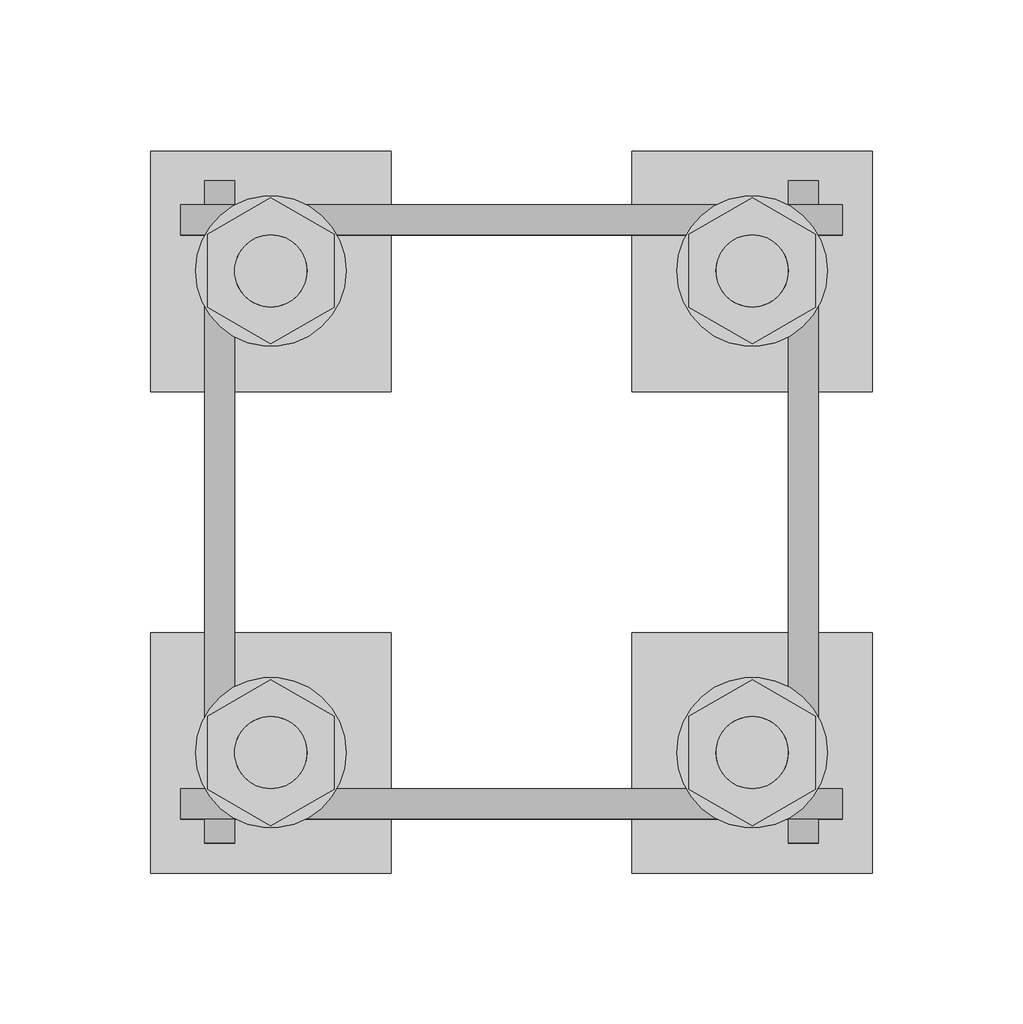
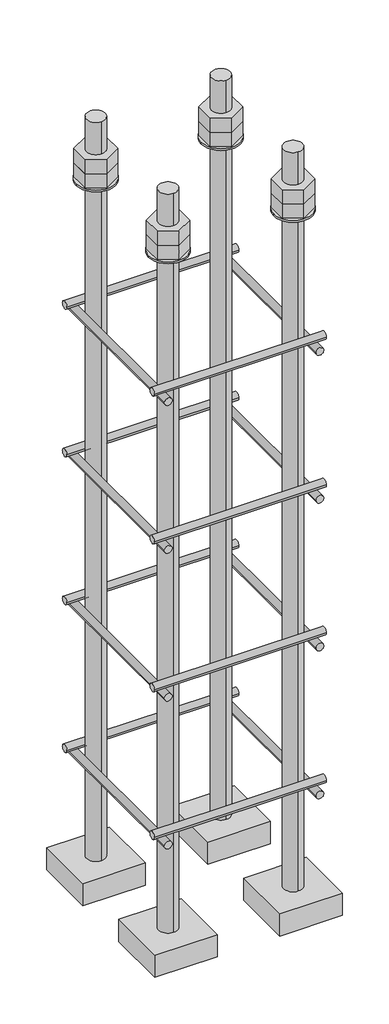
# One storey, part 15 of 66: 1 fastener.
"""IFC4 building model written with IfcOpenShell, lengths in millimetres."""

from ifc_helpers import new_model, si_unit, point, frame, frame_2d, origin, place, context, project, spatial, polyline, circle_curve, trimmed, segment, composite_curve, outline, extrude, element, save
from ifc_brep_helpers import plane_surface, cylinder_surface, advanced_brep

model = new_model("IFC4")

# Units and contexts
model_context = context("Model", 3, world=origin())
ifc_project = project(units=[si_unit("LENGTHUNIT", "METRE", prefix="MILLI")], contexts=[model_context])

# Site, building, storey
site = spatial("IfcSite", under=ifc_project)
building = spatial("IfcBuilding", under=site)
storey = spatial("IfcBuildingStorey", under=building, Elevation=9070.0)

# Fastener
placement = place(None, origin())
element("IfcFastener", 1, ObjectType="AU1 : AU-01", at=placement, inside=storey, context=model_context, shape_type="SolidModel", body=[
    extrude(outline(composite_curve([segment(trimmed(circle_curve(frame_2d((26703.0, 8395.0)), 5.0), [point((26698.0, 8395.0))], [point((26708.0, 8395.0))], False, "CARTESIAN"), True, "CONTINUOUS"), segment(trimmed(circle_curve(frame_2d((26703.0, 8395.0)), 5.0), [point((26708.0, 8395.0))], [point((26698.0, 8395.0))], False, "CARTESIAN"), True, "CONTINUOUS")], self_intersect=False)), frame((27890.0, 0.0, 0.0), z_axis=(1.0, 0.0, 0.0), x_axis=(0.0, 1.0, 0.0)), (0.0, 0.0, 1.0), 220.0),
    extrude(outline(composite_curve([segment(trimmed(circle_curve(frame_2d((26897.0, 8395.0)), 5.0), [point((26902.0, 8395.0))], [point((26892.0, 8395.0))], False, "CARTESIAN"), True, "CONTINUOUS"), segment(trimmed(circle_curve(frame_2d((26897.0, 8395.0)), 5.0), [point((26892.0, 8395.0))], [point((26902.0, 8395.0))], False, "CARTESIAN"), True, "CONTINUOUS")], self_intersect=False)), frame((27890.0, 0.0, 0.0), z_axis=(1.0, 0.0, 0.0), x_axis=(0.0, 1.0, 0.0)), (0.0, 0.0, 1.0), 220.0),
    extrude(outline(composite_curve([segment(trimmed(circle_curve(frame_2d((8385.0, 27903.0)), 5.0), [point((8385.0, 27898.0))], [point((8385.0, 27908.0))], False, "CARTESIAN"), True, "CONTINUOUS"), segment(trimmed(circle_curve(frame_2d((8385.0, 27903.0)), 5.0), [point((8385.0, 27908.0))], [point((8385.0, 27898.0))], False, "CARTESIAN"), True, "CONTINUOUS")], self_intersect=False)), frame((0.0, 26690.0, 0.0), z_axis=(0.0, 1.0, 0.0), x_axis=(0.0, 0.0, 1.0)), (0.0, 0.0, 1.0), 220.0),
    extrude(outline(composite_curve([segment(trimmed(circle_curve(frame_2d((8385.0, 28097.0)), 5.0), [point((8385.0, 28102.0))], [point((8385.0, 28092.0))], False, "CARTESIAN"), True, "CONTINUOUS"), segment(trimmed(circle_curve(frame_2d((8385.0, 28097.0)), 5.0), [point((8385.0, 28092.0))], [point((8385.0, 28102.0))], False, "CARTESIAN"), True, "CONTINUOUS")], self_intersect=False)), frame((0.0, 26690.0, 0.0), z_axis=(0.0, 1.0, 0.0), x_axis=(0.0, 0.0, 1.0)), (0.0, 0.0, 1.0), 220.0),
    extrude(outline(composite_curve([segment(trimmed(circle_curve(frame_2d((26703.0, 8595.0)), 5.0), [point((26698.0, 8595.0))], [point((26708.0, 8595.0))], False, "CARTESIAN"), True, "CONTINUOUS"), segment(trimmed(circle_curve(frame_2d((26703.0, 8595.0)), 5.0), [point((26708.0, 8595.0))], [point((26698.0, 8595.0))], False, "CARTESIAN"), True, "CONTINUOUS")], self_intersect=False)), frame((27890.0, 0.0, 0.0), z_axis=(1.0, 0.0, 0.0), x_axis=(0.0, 1.0, 0.0)), (0.0, 0.0, 1.0), 220.0),
    extrude(outline(composite_curve([segment(trimmed(circle_curve(frame_2d((26897.0, 8595.0)), 5.0), [point((26902.0, 8595.0))], [point((26892.0, 8595.0))], False, "CARTESIAN"), True, "CONTINUOUS"), segment(trimmed(circle_curve(frame_2d((26897.0, 8595.0)), 5.0), [point((26892.0, 8595.0))], [point((26902.0, 8595.0))], False, "CARTESIAN"), True, "CONTINUOUS")], self_intersect=False)), frame((27890.0, 0.0, 0.0), z_axis=(1.0, 0.0, 0.0), x_axis=(0.0, 1.0, 0.0)), (0.0, 0.0, 1.0), 220.0),
    extrude(outline(composite_curve([segment(trimmed(circle_curve(frame_2d((8585.0, 27903.0)), 5.0), [point((8585.0, 27898.0))], [point((8585.0, 27908.0))], False, "CARTESIAN"), True, "CONTINUOUS"), segment(trimmed(circle_curve(frame_2d((8585.0, 27903.0)), 5.0), [point((8585.0, 27908.0))], [point((8585.0, 27898.0))], False, "CARTESIAN"), True, "CONTINUOUS")], self_intersect=False)), frame((0.0, 26690.0, 0.0), z_axis=(0.0, 1.0, 0.0), x_axis=(0.0, 0.0, 1.0)), (0.0, 0.0, 1.0), 220.0),
    extrude(outline(composite_curve([segment(trimmed(circle_curve(frame_2d((8585.0, 28097.0)), 5.0), [point((8585.0, 28102.0))], [point((8585.0, 28092.0))], False, "CARTESIAN"), True, "CONTINUOUS"), segment(trimmed(circle_curve(frame_2d((8585.0, 28097.0)), 5.0), [point((8585.0, 28092.0))], [point((8585.0, 28102.0))], False, "CARTESIAN"), True, "CONTINUOUS")], self_intersect=False)), frame((0.0, 26690.0, 0.0), z_axis=(0.0, 1.0, 0.0), x_axis=(0.0, 0.0, 1.0)), (0.0, 0.0, 1.0), 220.0),
    extrude(outline(composite_curve([segment(trimmed(circle_curve(frame_2d((26703.0, 8795.0)), 5.0), [point((26698.0, 8795.0))], [point((26708.0, 8795.0))], False, "CARTESIAN"), True, "CONTINUOUS"), segment(trimmed(circle_curve(frame_2d((26703.0, 8795.0)), 5.0), [point((26708.0, 8795.0))], [point((26698.0, 8795.0))], False, "CARTESIAN"), True, "CONTINUOUS")], self_intersect=False)), frame((27890.0, 0.0, 0.0), z_axis=(1.0, 0.0, 0.0), x_axis=(0.0, 1.0, 0.0)), (0.0, 0.0, 1.0), 220.0),
    extrude(outline(composite_curve([segment(trimmed(circle_curve(frame_2d((26897.0, 8795.0)), 5.0), [point((26902.0, 8795.0))], [point((26892.0, 8795.0))], False, "CARTESIAN"), True, "CONTINUOUS"), segment(trimmed(circle_curve(frame_2d((26897.0, 8795.0)), 5.0), [point((26892.0, 8795.0))], [point((26902.0, 8795.0))], False, "CARTESIAN"), True, "CONTINUOUS")], self_intersect=False)), frame((27890.0, 0.0, 0.0), z_axis=(1.0, 0.0, 0.0), x_axis=(0.0, 1.0, 0.0)), (0.0, 0.0, 1.0), 220.0),
    extrude(outline(composite_curve([segment(trimmed(circle_curve(frame_2d((8785.0, 27903.0)), 5.0), [point((8785.0, 27898.0))], [point((8785.0, 27908.0))], False, "CARTESIAN"), True, "CONTINUOUS"), segment(trimmed(circle_curve(frame_2d((8785.0, 27903.0)), 5.0), [point((8785.0, 27908.0))], [point((8785.0, 27898.0))], False, "CARTESIAN"), True, "CONTINUOUS")], self_intersect=False)), frame((0.0, 26690.0, 0.0), z_axis=(0.0, 1.0, 0.0), x_axis=(0.0, 0.0, 1.0)), (0.0, 0.0, 1.0), 220.0),
    extrude(outline(composite_curve([segment(trimmed(circle_curve(frame_2d((8785.0, 28097.0)), 5.0), [point((8785.0, 28102.0))], [point((8785.0, 28092.0))], False, "CARTESIAN"), True, "CONTINUOUS"), segment(trimmed(circle_curve(frame_2d((8785.0, 28097.0)), 5.0), [point((8785.0, 28092.0))], [point((8785.0, 28102.0))], False, "CARTESIAN"), True, "CONTINUOUS")], self_intersect=False)), frame((0.0, 26690.0, 0.0), z_axis=(0.0, 1.0, 0.0), x_axis=(0.0, 0.0, 1.0)), (0.0, 0.0, 1.0), 220.0),
    extrude(outline(composite_curve([segment(trimmed(circle_curve(frame_2d((26703.0, 8995.0)), 5.0), [point((26698.0, 8995.0))], [point((26708.0, 8995.0))], False, "CARTESIAN"), True, "CONTINUOUS"), segment(trimmed(circle_curve(frame_2d((26703.0, 8995.0)), 5.0), [point((26708.0, 8995.0))], [point((26698.0, 8995.0))], False, "CARTESIAN"), True, "CONTINUOUS")], self_intersect=False)), frame((27890.0, 0.0, 0.0), z_axis=(1.0, 0.0, 0.0), x_axis=(0.0, 1.0, 0.0)), (0.0, 0.0, 1.0), 220.0),
    extrude(outline(composite_curve([segment(trimmed(circle_curve(frame_2d((26897.0, 8995.0)), 5.0), [point((26902.0, 8995.0))], [point((26892.0, 8995.0))], False, "CARTESIAN"), True, "CONTINUOUS"), segment(trimmed(circle_curve(frame_2d((26897.0, 8995.0)), 5.0), [point((26892.0, 8995.0))], [point((26902.0, 8995.0))], False, "CARTESIAN"), True, "CONTINUOUS")], self_intersect=False)), frame((27890.0, 0.0, 0.0), z_axis=(1.0, 0.0, 0.0), x_axis=(0.0, 1.0, 0.0)), (0.0, 0.0, 1.0), 220.0),
    extrude(outline(composite_curve([segment(trimmed(circle_curve(frame_2d((8985.0, 27903.0)), 5.0), [point((8985.0, 27898.0))], [point((8985.0, 27908.0))], False, "CARTESIAN"), True, "CONTINUOUS"), segment(trimmed(circle_curve(frame_2d((8985.0, 27903.0)), 5.0), [point((8985.0, 27908.0))], [point((8985.0, 27898.0))], False, "CARTESIAN"), True, "CONTINUOUS")], self_intersect=False)), frame((0.0, 26690.0, 0.0), z_axis=(0.0, 1.0, 0.0), x_axis=(0.0, 0.0, 1.0)), (0.0, 0.0, 1.0), 220.0),
    extrude(outline(composite_curve([segment(trimmed(circle_curve(frame_2d((8985.0, 28097.0)), 5.0), [point((8985.0, 28102.0))], [point((8985.0, 28092.0))], False, "CARTESIAN"), True, "CONTINUOUS"), segment(trimmed(circle_curve(frame_2d((8985.0, 28097.0)), 5.0), [point((8985.0, 28092.0))], [point((8985.0, 28102.0))], False, "CARTESIAN"), True, "CONTINUOUS")], self_intersect=False)), frame((0.0, 26690.0, 0.0), z_axis=(0.0, 1.0, 0.0), x_axis=(0.0, 0.0, 1.0)), (0.0, 0.0, 1.0), 220.0),
    advanced_brep(
    [(27960.0, 26920.0, 8250.0), (27880.0, 26920.0, 8250.0), (27880.0, 26840.0, 8250.0), (27960.0, 26840.0, 8250.0), (27920.0, 26868.0, 8250.0), (27920.0, 26892.0, 8250.0), (27960.0, 26920.0, 8220.0), (27960.0, 26840.0, 8220.0), (27880.0, 26840.0, 8220.0), (27880.0, 26920.0, 8220.0), (27920.0, 26892.0, 9250.0), (27920.0, 26868.0, 9250.0)],
    [
        (0, 1),
        (1, 2),
        (2, 3),
        (3, 0),
        (4, 5, circle_curve(frame((27920.0, 26880.0, 8250.0), z_axis=(0.0, 0.0, -1.0), x_axis=(0.0, -1.0, 0.0)), 12.0)),
        (5, 4, circle_curve(frame((27920.0, 26880.0, 8250.0), z_axis=(0.0, 0.0, -1.0), x_axis=(0.0, -1.0, 0.0)), 12.0)),
        (6, 7),
        (7, 8),
        (8, 9),
        (9, 6),
        (0, 6),
        (9, 1),
        (8, 2),
        (7, 3),
        (10, 11, circle_curve(frame((27920.0, 26880.0, 9250.0), z_axis=(0.0, 0.0, 1.0), x_axis=(0.0, -1.0, 0.0)), 12.0)),
        (11, 10, circle_curve(frame((27920.0, 26880.0, 9250.0), z_axis=(0.0, 0.0, 1.0), x_axis=(0.0, -1.0, 0.0)), 12.0)),
        (10, 5),
        (4, 11),
    ],
    [
        plane_surface(frame((27880.0, 26920.0, 8250.0), z_axis=(0.0, 0.0, 1.0), x_axis=(-1.0, 0.0, 0.0))),
        plane_surface(frame((27880.0, 26920.0, 8220.0), z_axis=(0.0, 0.0, -1.0), x_axis=(1.0, 0.0, 0.0))),
        plane_surface(frame((27960.0, 26920.0, 8250.0), z_axis=(0.0, 1.0, 0.0), x_axis=(0.0, 0.0, -1.0))),
        plane_surface(frame((27880.0, 26920.0, 8250.0), z_axis=(-1.0, 0.0, 0.0), x_axis=(0.0, 0.0, -1.0))),
        plane_surface(frame((27880.0, 26840.0, 8250.0), z_axis=(0.0, -1.0, 0.0), x_axis=(0.0, 0.0, -1.0))),
        plane_surface(frame((27960.0, 26840.0, 8250.0), z_axis=(1.0, 0.0, 0.0), x_axis=(0.0, 0.0, -1.0))),
        plane_surface(frame((27920.0, 26880.0, 9250.0), z_axis=(0.0, 0.0, 1.0), x_axis=(0.0, -1.0, 0.0))),
        cylinder_surface(frame((27920.0, 26880.0, 9250.0), z_axis=(0.0, 0.0, 1.0), x_axis=(0.0, -1.0, 0.0)), 12.0),
    ],
    [
        (0, [[1, 2, 3, 4], [5, 6]]),
        (1, [[7, 8, 9, 10]]),
        (2, [[-1, 11, -10, 12]]),
        (3, [[-2, -12, -9, 13]]),
        (4, [[-3, -13, -8, 14]]),
        (5, [[-4, -14, -7, -11]]),
        (6, [[15, 16]]),
        (7, [[-15, 17, -5, 18]]),
        (7, [[-16, -18, -6, -17]]),
    ],
),
    extrude(outline(composite_curve([segment(trimmed(circle_curve(frame_2d((27920.0, 26880.0)), 25.0), [point((27945.0, 26880.0))], [point((27895.0, 26880.0))], False, "CARTESIAN"), True, "CONTINUOUS"), segment(trimmed(circle_curve(frame_2d((27920.0, 26880.0)), 25.0), [point((27895.0, 26880.0))], [point((27945.0, 26880.0))], False, "CARTESIAN"), True, "CONTINUOUS")], self_intersect=False), holes=[composite_curve([segment(trimmed(circle_curve(frame_2d((27920.0, 26880.0)), 12.0), [point((27932.0, 26880.0))], [point((27908.0, 26880.0))], True, "CARTESIAN"), True, "CONTINUOUS"), segment(trimmed(circle_curve(frame_2d((27920.0, 26880.0)), 12.0), [point((27908.0, 26880.0))], [point((27932.0, 26880.0))], True, "CARTESIAN"), True, "CONTINUOUS")], self_intersect=False)]), frame((0.0, 0.0, 9165.0), z_axis=(0.0, 0.0, 1.0), x_axis=(1.0, 0.0, 0.0)), (0.0, 0.0, 1.0), 2.5),
    extrude(outline(polyline([(27920.0, 26904.2487113), (27941.0, 26892.1243557), (27941.0, 26867.8756443), (27920.0, 26855.7512887), (27899.0, 26867.8756443), (27899.0, 26892.1243557), (27920.0, 26904.2487113)]), holes=[composite_curve([segment(trimmed(circle_curve(frame_2d((27920.0, 26880.0)), 12.0), [point((27932.0, 26880.0))], [point((27908.0, 26880.0))], True, "CARTESIAN"), True, "CONTINUOUS"), segment(trimmed(circle_curve(frame_2d((27920.0, 26880.0)), 12.0), [point((27908.0, 26880.0))], [point((27932.0, 26880.0))], True, "CARTESIAN"), True, "CONTINUOUS")], self_intersect=False)]), frame((0.0, 0.0, 9187.0), z_axis=(0.0, 0.0, 1.0), x_axis=(1.0, 0.0, 0.0)), (0.0, 0.0, 1.0), 19.5),
    extrude(outline(polyline([(27920.0, 26904.2487113), (27941.0, 26892.1243557), (27941.0, 26867.8756443), (27920.0, 26855.7512887), (27899.0, 26867.8756443), (27899.0, 26892.1243557), (27920.0, 26904.2487113)]), holes=[composite_curve([segment(trimmed(circle_curve(frame_2d((27920.0, 26880.0)), 12.0), [point((27932.0, 26880.0))], [point((27908.0, 26880.0))], True, "CARTESIAN"), True, "CONTINUOUS"), segment(trimmed(circle_curve(frame_2d((27920.0, 26880.0)), 12.0), [point((27908.0, 26880.0))], [point((27932.0, 26880.0))], True, "CARTESIAN"), True, "CONTINUOUS")], self_intersect=False)]), frame((0.0, 0.0, 9167.5), z_axis=(0.0, 0.0, 1.0), x_axis=(1.0, 0.0, 0.0)), (0.0, 0.0, 1.0), 19.5),
    advanced_brep(
    [(28040.0, 26840.0, 8250.0), (28120.0, 26840.0, 8250.0), (28120.0, 26920.0, 8250.0), (28040.0, 26920.0, 8250.0), (28080.0, 26892.0, 8250.0), (28080.0, 26868.0, 8250.0), (28040.0, 26840.0, 8220.0), (28040.0, 26920.0, 8220.0), (28120.0, 26920.0, 8220.0), (28120.0, 26840.0, 8220.0), (28080.0, 26868.0, 9250.0), (28080.0, 26892.0, 9250.0)],
    [
        (0, 1),
        (1, 2),
        (2, 3),
        (3, 0),
        (4, 5, circle_curve(frame((28080.0, 26880.0, 8250.0), z_axis=(0.0, 0.0, -1.0), x_axis=(0.0, 1.0, 0.0)), 12.0)),
        (5, 4, circle_curve(frame((28080.0, 26880.0, 8250.0), z_axis=(0.0, 0.0, -1.0), x_axis=(0.0, 1.0, 0.0)), 12.0)),
        (6, 7),
        (7, 8),
        (8, 9),
        (9, 6),
        (0, 6),
        (9, 1),
        (8, 2),
        (7, 3),
        (10, 11, circle_curve(frame((28080.0, 26880.0, 9250.0), z_axis=(0.0, 0.0, 1.0), x_axis=(0.0, 1.0, 0.0)), 12.0)),
        (11, 10, circle_curve(frame((28080.0, 26880.0, 9250.0), z_axis=(0.0, 0.0, 1.0), x_axis=(0.0, 1.0, 0.0)), 12.0)),
        (10, 5),
        (4, 11),
    ],
    [
        plane_surface(frame((28120.0, 26840.0, 8250.0), z_axis=(0.0, 0.0, 1.0), x_axis=(1.0, 0.0, 0.0))),
        plane_surface(frame((28120.0, 26840.0, 8220.0), z_axis=(0.0, 0.0, -1.0), x_axis=(-1.0, 0.0, 0.0))),
        plane_surface(frame((28040.0, 26840.0, 8250.0), z_axis=(0.0, -1.0, 0.0), x_axis=(0.0, 0.0, -1.0))),
        plane_surface(frame((28120.0, 26840.0, 8250.0), z_axis=(1.0, 0.0, 0.0), x_axis=(0.0, 0.0, -1.0))),
        plane_surface(frame((28120.0, 26920.0, 8250.0), z_axis=(0.0, 1.0, 0.0), x_axis=(0.0, 0.0, -1.0))),
        plane_surface(frame((28040.0, 26920.0, 8250.0), z_axis=(-1.0, 0.0, 0.0), x_axis=(0.0, 0.0, -1.0))),
        plane_surface(frame((28080.0, 26880.0, 9250.0), z_axis=(0.0, 0.0, 1.0), x_axis=(0.0, 1.0, 0.0))),
        cylinder_surface(frame((28080.0, 26880.0, 9250.0), z_axis=(0.0, 0.0, 1.0), x_axis=(0.0, 1.0, 0.0)), 12.0),
    ],
    [
        (0, [[1, 2, 3, 4], [5, 6]]),
        (1, [[7, 8, 9, 10]]),
        (2, [[-1, 11, -10, 12]]),
        (3, [[-2, -12, -9, 13]]),
        (4, [[-3, -13, -8, 14]]),
        (5, [[-4, -14, -7, -11]]),
        (6, [[15, 16]]),
        (7, [[-15, 17, -5, 18]]),
        (7, [[-16, -18, -6, -17]]),
    ],
),
    extrude(outline(composite_curve([segment(trimmed(circle_curve(frame_2d((28080.0, 26880.0)), 25.0), [point((28055.0, 26880.0))], [point((28105.0, 26880.0))], False, "CARTESIAN"), True, "CONTINUOUS"), segment(trimmed(circle_curve(frame_2d((28080.0, 26880.0)), 25.0), [point((28105.0, 26880.0))], [point((28055.0, 26880.0))], False, "CARTESIAN"), True, "CONTINUOUS")], self_intersect=False), holes=[composite_curve([segment(trimmed(circle_curve(frame_2d((28080.0, 26880.0)), 12.0), [point((28068.0, 26880.0))], [point((28092.0, 26880.0))], True, "CARTESIAN"), True, "CONTINUOUS"), segment(trimmed(circle_curve(frame_2d((28080.0, 26880.0)), 12.0), [point((28092.0, 26880.0))], [point((28068.0, 26880.0))], True, "CARTESIAN"), True, "CONTINUOUS")], self_intersect=False)]), frame((0.0, 0.0, 9165.0), z_axis=(0.0, 0.0, 1.0), x_axis=(1.0, 0.0, 0.0)), (0.0, 0.0, 1.0), 2.5),
    extrude(outline(polyline([(28080.0, 26855.7512887), (28059.0, 26867.8756443), (28059.0, 26892.1243557), (28080.0, 26904.2487113), (28101.0, 26892.1243557), (28101.0, 26867.8756443), (28080.0, 26855.7512887)]), holes=[composite_curve([segment(trimmed(circle_curve(frame_2d((28080.0, 26880.0)), 12.0), [point((28068.0, 26880.0))], [point((28092.0, 26880.0))], True, "CARTESIAN"), True, "CONTINUOUS"), segment(trimmed(circle_curve(frame_2d((28080.0, 26880.0)), 12.0), [point((28092.0, 26880.0))], [point((28068.0, 26880.0))], True, "CARTESIAN"), True, "CONTINUOUS")], self_intersect=False)]), frame((0.0, 0.0, 9187.0), z_axis=(0.0, 0.0, 1.0), x_axis=(1.0, 0.0, 0.0)), (0.0, 0.0, 1.0), 19.5),
    extrude(outline(polyline([(28080.0, 26855.7512887), (28059.0, 26867.8756443), (28059.0, 26892.1243557), (28080.0, 26904.2487113), (28101.0, 26892.1243557), (28101.0, 26867.8756443), (28080.0, 26855.7512887)]), holes=[composite_curve([segment(trimmed(circle_curve(frame_2d((28080.0, 26880.0)), 12.0), [point((28068.0, 26880.0))], [point((28092.0, 26880.0))], True, "CARTESIAN"), True, "CONTINUOUS"), segment(trimmed(circle_curve(frame_2d((28080.0, 26880.0)), 12.0), [point((28092.0, 26880.0))], [point((28068.0, 26880.0))], True, "CARTESIAN"), True, "CONTINUOUS")], self_intersect=False)]), frame((0.0, 0.0, 9167.5), z_axis=(0.0, 0.0, 1.0), x_axis=(1.0, 0.0, 0.0)), (0.0, 0.0, 1.0), 19.5),
    advanced_brep(
    [(28040.0, 26680.0, 8250.0), (28120.0, 26680.0, 8250.0), (28120.0, 26760.0, 8250.0), (28040.0, 26760.0, 8250.0), (28080.0, 26732.0, 8250.0), (28080.0, 26708.0, 8250.0), (28040.0, 26680.0, 8220.0), (28040.0, 26760.0, 8220.0), (28120.0, 26760.0, 8220.0), (28120.0, 26680.0, 8220.0), (28080.0, 26708.0, 9250.0), (28080.0, 26732.0, 9250.0)],
    [
        (0, 1),
        (1, 2),
        (2, 3),
        (3, 0),
        (4, 5, circle_curve(frame((28080.0, 26720.0, 8250.0), z_axis=(0.0, 0.0, -1.0), x_axis=(0.0, 1.0, 0.0)), 12.0)),
        (5, 4, circle_curve(frame((28080.0, 26720.0, 8250.0), z_axis=(0.0, 0.0, -1.0), x_axis=(0.0, 1.0, 0.0)), 12.0)),
        (6, 7),
        (7, 8),
        (8, 9),
        (9, 6),
        (0, 6),
        (9, 1),
        (8, 2),
        (7, 3),
        (10, 11, circle_curve(frame((28080.0, 26720.0, 9250.0), z_axis=(0.0, 0.0, 1.0), x_axis=(0.0, 1.0, 0.0)), 12.0)),
        (11, 10, circle_curve(frame((28080.0, 26720.0, 9250.0), z_axis=(0.0, 0.0, 1.0), x_axis=(0.0, 1.0, 0.0)), 12.0)),
        (10, 5),
        (4, 11),
    ],
    [
        plane_surface(frame((28120.0, 26680.0, 8250.0), z_axis=(0.0, 0.0, 1.0), x_axis=(1.0, 0.0, 0.0))),
        plane_surface(frame((28120.0, 26680.0, 8220.0), z_axis=(0.0, 0.0, -1.0), x_axis=(-1.0, 0.0, 0.0))),
        plane_surface(frame((28040.0, 26680.0, 8250.0), z_axis=(0.0, -1.0, 0.0), x_axis=(0.0, 0.0, -1.0))),
        plane_surface(frame((28120.0, 26680.0, 8250.0), z_axis=(1.0, 0.0, 0.0), x_axis=(0.0, 0.0, -1.0))),
        plane_surface(frame((28120.0, 26760.0, 8250.0), z_axis=(0.0, 1.0, 0.0), x_axis=(0.0, 0.0, -1.0))),
        plane_surface(frame((28040.0, 26760.0, 8250.0), z_axis=(-1.0, 0.0, 0.0), x_axis=(0.0, 0.0, -1.0))),
        plane_surface(frame((28080.0, 26720.0, 9250.0), z_axis=(0.0, 0.0, 1.0), x_axis=(0.0, 1.0, 0.0))),
        cylinder_surface(frame((28080.0, 26720.0, 9250.0), z_axis=(0.0, 0.0, 1.0), x_axis=(0.0, 1.0, 0.0)), 12.0),
    ],
    [
        (0, [[1, 2, 3, 4], [5, 6]]),
        (1, [[7, 8, 9, 10]]),
        (2, [[-1, 11, -10, 12]]),
        (3, [[-2, -12, -9, 13]]),
        (4, [[-3, -13, -8, 14]]),
        (5, [[-4, -14, -7, -11]]),
        (6, [[15, 16]]),
        (7, [[-15, 17, -5, 18]]),
        (7, [[-16, -18, -6, -17]]),
    ],
),
    extrude(outline(composite_curve([segment(trimmed(circle_curve(frame_2d((28080.0, 26720.0)), 25.0), [point((28055.0, 26720.0))], [point((28105.0, 26720.0))], False, "CARTESIAN"), True, "CONTINUOUS"), segment(trimmed(circle_curve(frame_2d((28080.0, 26720.0)), 25.0), [point((28105.0, 26720.0))], [point((28055.0, 26720.0))], False, "CARTESIAN"), True, "CONTINUOUS")], self_intersect=False), holes=[composite_curve([segment(trimmed(circle_curve(frame_2d((28080.0, 26720.0)), 12.0), [point((28068.0, 26720.0))], [point((28092.0, 26720.0))], True, "CARTESIAN"), True, "CONTINUOUS"), segment(trimmed(circle_curve(frame_2d((28080.0, 26720.0)), 12.0), [point((28092.0, 26720.0))], [point((28068.0, 26720.0))], True, "CARTESIAN"), True, "CONTINUOUS")], self_intersect=False)]), frame((0.0, 0.0, 9165.0), z_axis=(0.0, 0.0, 1.0), x_axis=(1.0, 0.0, 0.0)), (0.0, 0.0, 1.0), 2.5),
    extrude(outline(polyline([(28080.0, 26695.7512887), (28059.0, 26707.8756443), (28059.0, 26732.1243557), (28080.0, 26744.2487113), (28101.0, 26732.1243557), (28101.0, 26707.8756443), (28080.0, 26695.7512887)]), holes=[composite_curve([segment(trimmed(circle_curve(frame_2d((28080.0, 26720.0)), 12.0), [point((28068.0, 26720.0))], [point((28092.0, 26720.0))], True, "CARTESIAN"), True, "CONTINUOUS"), segment(trimmed(circle_curve(frame_2d((28080.0, 26720.0)), 12.0), [point((28092.0, 26720.0))], [point((28068.0, 26720.0))], True, "CARTESIAN"), True, "CONTINUOUS")], self_intersect=False)]), frame((0.0, 0.0, 9187.0), z_axis=(0.0, 0.0, 1.0), x_axis=(1.0, 0.0, 0.0)), (0.0, 0.0, 1.0), 19.5),
    extrude(outline(polyline([(28080.0, 26695.7512887), (28059.0, 26707.8756443), (28059.0, 26732.1243557), (28080.0, 26744.2487113), (28101.0, 26732.1243557), (28101.0, 26707.8756443), (28080.0, 26695.7512887)]), holes=[composite_curve([segment(trimmed(circle_curve(frame_2d((28080.0, 26720.0)), 12.0), [point((28068.0, 26720.0))], [point((28092.0, 26720.0))], True, "CARTESIAN"), True, "CONTINUOUS"), segment(trimmed(circle_curve(frame_2d((28080.0, 26720.0)), 12.0), [point((28092.0, 26720.0))], [point((28068.0, 26720.0))], True, "CARTESIAN"), True, "CONTINUOUS")], self_intersect=False)]), frame((0.0, 0.0, 9167.5), z_axis=(0.0, 0.0, 1.0), x_axis=(1.0, 0.0, 0.0)), (0.0, 0.0, 1.0), 19.5),
    advanced_brep(
    [(27960.0, 26760.0, 8250.0), (27880.0, 26760.0, 8250.0), (27880.0, 26680.0, 8250.0), (27960.0, 26680.0, 8250.0), (27920.0, 26708.0, 8250.0), (27920.0, 26732.0, 8250.0), (27960.0, 26760.0, 8220.0), (27960.0, 26680.0, 8220.0), (27880.0, 26680.0, 8220.0), (27880.0, 26760.0, 8220.0), (27920.0, 26732.0, 9250.0), (27920.0, 26708.0, 9250.0)],
    [
        (0, 1),
        (1, 2),
        (2, 3),
        (3, 0),
        (4, 5, circle_curve(frame((27920.0, 26720.0, 8250.0), z_axis=(0.0, 0.0, -1.0), x_axis=(0.0, -1.0, 0.0)), 12.0)),
        (5, 4, circle_curve(frame((27920.0, 26720.0, 8250.0), z_axis=(0.0, 0.0, -1.0), x_axis=(0.0, -1.0, 0.0)), 12.0)),
        (6, 7),
        (7, 8),
        (8, 9),
        (9, 6),
        (0, 6),
        (9, 1),
        (8, 2),
        (7, 3),
        (10, 11, circle_curve(frame((27920.0, 26720.0, 9250.0), z_axis=(0.0, 0.0, 1.0), x_axis=(0.0, -1.0, 0.0)), 12.0)),
        (11, 10, circle_curve(frame((27920.0, 26720.0, 9250.0), z_axis=(0.0, 0.0, 1.0), x_axis=(0.0, -1.0, 0.0)), 12.0)),
        (10, 5),
        (4, 11),
    ],
    [
        plane_surface(frame((27880.0, 26760.0, 8250.0), z_axis=(0.0, 0.0, 1.0), x_axis=(-1.0, 0.0, 0.0))),
        plane_surface(frame((27880.0, 26760.0, 8220.0), z_axis=(0.0, 0.0, -1.0), x_axis=(1.0, 0.0, 0.0))),
        plane_surface(frame((27960.0, 26760.0, 8250.0), z_axis=(0.0, 1.0, 0.0), x_axis=(0.0, 0.0, -1.0))),
        plane_surface(frame((27880.0, 26760.0, 8250.0), z_axis=(-1.0, 0.0, 0.0), x_axis=(0.0, 0.0, -1.0))),
        plane_surface(frame((27880.0, 26680.0, 8250.0), z_axis=(0.0, -1.0, 0.0), x_axis=(0.0, 0.0, -1.0))),
        plane_surface(frame((27960.0, 26680.0, 8250.0), z_axis=(1.0, 0.0, 0.0), x_axis=(0.0, 0.0, -1.0))),
        plane_surface(frame((27920.0, 26720.0, 9250.0), z_axis=(0.0, 0.0, 1.0), x_axis=(0.0, -1.0, 0.0))),
        cylinder_surface(frame((27920.0, 26720.0, 9250.0), z_axis=(0.0, 0.0, 1.0), x_axis=(0.0, -1.0, 0.0)), 12.0),
    ],
    [
        (0, [[1, 2, 3, 4], [5, 6]]),
        (1, [[7, 8, 9, 10]]),
        (2, [[-1, 11, -10, 12]]),
        (3, [[-2, -12, -9, 13]]),
        (4, [[-3, -13, -8, 14]]),
        (5, [[-4, -14, -7, -11]]),
        (6, [[15, 16]]),
        (7, [[-15, 17, -5, 18]]),
        (7, [[-16, -18, -6, -17]]),
    ],
),
    extrude(outline(composite_curve([segment(trimmed(circle_curve(frame_2d((27920.0, 26720.0)), 25.0), [point((27945.0, 26720.0))], [point((27895.0, 26720.0))], False, "CARTESIAN"), True, "CONTINUOUS"), segment(trimmed(circle_curve(frame_2d((27920.0, 26720.0)), 25.0), [point((27895.0, 26720.0))], [point((27945.0, 26720.0))], False, "CARTESIAN"), True, "CONTINUOUS")], self_intersect=False), holes=[composite_curve([segment(trimmed(circle_curve(frame_2d((27920.0, 26720.0)), 12.0), [point((27932.0, 26720.0))], [point((27908.0, 26720.0))], True, "CARTESIAN"), True, "CONTINUOUS"), segment(trimmed(circle_curve(frame_2d((27920.0, 26720.0)), 12.0), [point((27908.0, 26720.0))], [point((27932.0, 26720.0))], True, "CARTESIAN"), True, "CONTINUOUS")], self_intersect=False)]), frame((0.0, 0.0, 9165.0), z_axis=(0.0, 0.0, 1.0), x_axis=(1.0, 0.0, 0.0)), (0.0, 0.0, 1.0), 2.5),
    extrude(outline(polyline([(27920.0, 26744.2487113), (27941.0, 26732.1243557), (27941.0, 26707.8756443), (27920.0, 26695.7512887), (27899.0, 26707.8756443), (27899.0, 26732.1243557), (27920.0, 26744.2487113)]), holes=[composite_curve([segment(trimmed(circle_curve(frame_2d((27920.0, 26720.0)), 12.0), [point((27932.0, 26720.0))], [point((27908.0, 26720.0))], True, "CARTESIAN"), True, "CONTINUOUS"), segment(trimmed(circle_curve(frame_2d((27920.0, 26720.0)), 12.0), [point((27908.0, 26720.0))], [point((27932.0, 26720.0))], True, "CARTESIAN"), True, "CONTINUOUS")], self_intersect=False)]), frame((0.0, 0.0, 9187.0), z_axis=(0.0, 0.0, 1.0), x_axis=(1.0, 0.0, 0.0)), (0.0, 0.0, 1.0), 19.5),
    extrude(outline(polyline([(27920.0, 26744.2487113), (27941.0, 26732.1243557), (27941.0, 26707.8756443), (27920.0, 26695.7512887), (27899.0, 26707.8756443), (27899.0, 26732.1243557), (27920.0, 26744.2487113)]), holes=[composite_curve([segment(trimmed(circle_curve(frame_2d((27920.0, 26720.0)), 12.0), [point((27932.0, 26720.0))], [point((27908.0, 26720.0))], True, "CARTESIAN"), True, "CONTINUOUS"), segment(trimmed(circle_curve(frame_2d((27920.0, 26720.0)), 12.0), [point((27908.0, 26720.0))], [point((27932.0, 26720.0))], True, "CARTESIAN"), True, "CONTINUOUS")], self_intersect=False)]), frame((0.0, 0.0, 9167.5), z_axis=(0.0, 0.0, 1.0), x_axis=(1.0, 0.0, 0.0)), (0.0, 0.0, 1.0), 19.5),
])

save(model, "model.ifc")
